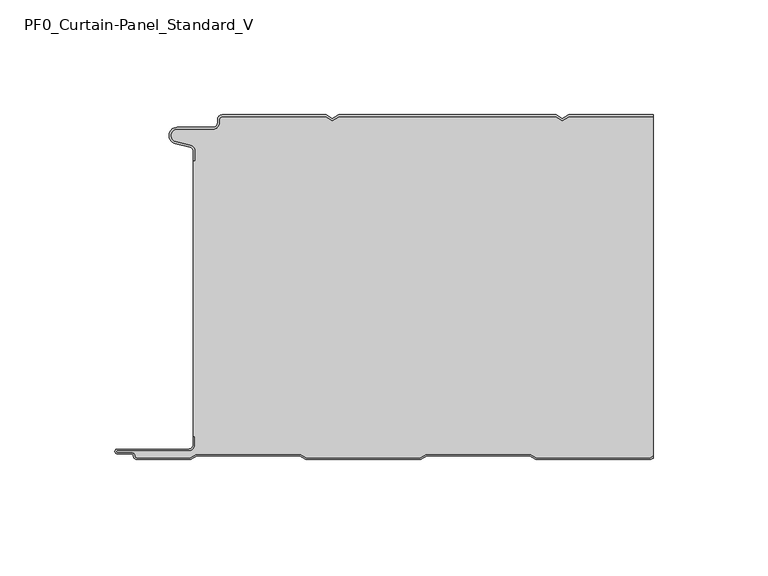
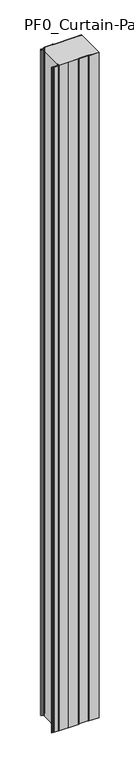
"""IFC4 building model written with IfcOpenShell, lengths in millimetres: plate geometry, PF0_Curtain-Panel_Standard_V."""

from ifc_helpers import new_model, si_unit, point, frame_2d, origin, origin_with_axes, place, context, project, spatial, polyline, circle_curve, trimmed, segment, composite_curve, outline, extrude, source, transform, mapped, element, save


def pf0_curtain_panel_standard_v_dcc8714a(model_context):
    return source(origin(), model_context, "Body", "SweptSolid", [
        extrude(outline(composite_curve([segment(trimmed(circle_curve(frame_2d((-102.0, -15.878557)), 2.0), [point((-100.0, -15.878557))], [point((-101.5500978, -13.9298169))], True, "CARTESIAN"), True, "CONTINUOUS"), segment(polyline([(-101.5500978, -13.9298169), (-107.7098239, -12.507732)]), True, "CONTINUOUS"), segment(trimmed(circle_curve(frame_2d((-106.9, -9.0)), 3.6), [point((-107.7098239, -12.507732))], [point((-106.9, -5.4))], False, "CARTESIAN"), True, "CONTINUOUS"), segment(polyline([(-106.9, -5.4), (-91.4, -5.4)]), True, "CONTINUOUS"), segment(trimmed(circle_curve(frame_2d((-91.4, -3.4)), 2.0), [point((-91.4, -5.4))], [point((-89.4, -3.4))], True, "CARTESIAN"), True, "CONTINUOUS"), segment(polyline([(-89.4, -3.4), (-89.4, -2.0)]), True, "CONTINUOUS"), segment(trimmed(circle_curve(frame_2d((-87.4, -2.0)), 2.0), [point((-89.4, -2.0))], [point((-87.4, 0.0))], False, "CARTESIAN"), True, "CONTINUOUS"), segment(polyline([(-87.4, 0.0), (-42.0999995, 0.0), (-39.4, -1.5588455), (-36.7000005, 0.0), (57.9000005, 0.0), (60.6, -1.5588455), (63.2999995, 0.0), (100.0, 0.0), (100.0, -0.8), (63.5143588, -0.8), (60.6, -2.482606), (57.6856412, -0.8), (-36.4856412, -0.8), (-39.4, -2.482606), (-42.3143588, -0.8), (-87.4, -0.8)]), True, "CONTINUOUS"), segment(trimmed(circle_curve(frame_2d((-87.4, -2.0)), 1.2), [point((-87.4, -0.8))], [point((-88.6, -2.0))], True, "CARTESIAN"), True, "CONTINUOUS"), segment(polyline([(-88.6, -2.0), (-88.6, -3.4)]), True, "CONTINUOUS"), segment(trimmed(circle_curve(frame_2d((-91.4, -3.4)), 2.8), [point((-88.6, -3.4))], [point((-91.4, -6.2))], False, "CARTESIAN"), True, "CONTINUOUS"), segment(polyline([(-91.4, -6.2), (-106.9, -6.2)]), True, "CONTINUOUS"), segment(trimmed(circle_curve(frame_2d((-106.9, -9.0)), 2.8), [point((-106.9, -6.2))], [point((-107.529863, -11.7282362))], True, "CARTESIAN"), True, "CONTINUOUS"), segment(polyline([(-107.529863, -11.7282362), (-101.370137, -13.150321)]), True, "CONTINUOUS"), segment(trimmed(circle_curve(frame_2d((-102.0, -15.878557)), 2.8), [point((-101.370137, -13.150321))], [point((-99.2, -15.878557))], False, "CARTESIAN"), True, "CONTINUOUS"), segment(polyline([(-99.2, -15.878557), (-99.2, -20.0), (-100.0, -20.0), (-100.0, -15.878557)]), True, "CONTINUOUS")], self_intersect=False)), origin_with_axes(), (0.0, 0.0, 1.0), 3500.0),
        extrude(outline(composite_curve([segment(polyline([(-99.2, -140.0), (-100.0, -140.0), (-100.0, -20.0), (-99.2, -20.0), (-99.2, -15.878557)]), True, "CONTINUOUS"), segment(trimmed(circle_curve(frame_2d((-102.0, -15.878557)), 2.8), [point((-99.2, -15.878557))], [point((-101.370137, -13.1503208))], True, "CARTESIAN"), True, "CONTINUOUS"), segment(polyline([(-101.370137, -13.1503208), (-107.529863, -11.7282362)]), True, "CONTINUOUS"), segment(trimmed(circle_curve(frame_2d((-106.9, -9.0)), 2.8), [point((-107.529863, -11.7282362))], [point((-106.9, -6.2))], False, "CARTESIAN"), True, "CONTINUOUS"), segment(polyline([(-106.9, -6.2), (-91.4, -6.2)]), True, "CONTINUOUS"), segment(trimmed(circle_curve(frame_2d((-91.4, -3.4)), 2.8), [point((-91.4, -6.2))], [point((-88.6, -3.4))], True, "CARTESIAN"), True, "CONTINUOUS"), segment(polyline([(-88.6, -3.4), (-88.6, -2.0)]), True, "CONTINUOUS"), segment(trimmed(circle_curve(frame_2d((-87.4, -2.0)), 1.2), [point((-88.6, -2.0))], [point((-87.4, -0.8))], False, "CARTESIAN"), True, "CONTINUOUS"), segment(polyline([(-87.4, -0.8), (-42.3143588, -0.8), (-39.4, -2.482606), (-36.4856412, -0.8), (57.6856412, -0.8), (60.6, -2.482606), (63.5143588, -0.8), (100.0, -0.8), (100.0, -148.5016287), (98.7903848, -149.2), (49.2152562, -149.2), (46.6171786, -147.7), (1.3884624, -147.7), (-1.2096152, -149.2), (-50.7847438, -149.2), (-53.3828214, -147.7), (-98.6115376, -147.7), (-101.2096152, -149.2), (-124.4, -149.2)]), True, "CONTINUOUS"), segment(trimmed(circle_curve(frame_2d((-124.4, -148.4)), 0.8), [point((-124.4, -149.2))], [point((-125.2, -148.4))], False, "CARTESIAN"), True, "CONTINUOUS"), segment(trimmed(circle_curve(frame_2d((-126.9, -148.6133333)), 1.7133333), [point((-125.2, -148.4))], [point((-126.9, -146.9))], True, "CARTESIAN"), True, "CONTINUOUS"), segment(polyline([(-126.9, -146.9), (-132.8700312, -146.9)]), True, "CONTINUOUS"), segment(trimmed(circle_curve(frame_2d((-132.8700312, -146.6)), 0.3), [point((-132.8700312, -146.9))], [point((-132.8700312, -146.3))], False, "CARTESIAN"), True, "CONTINUOUS"), segment(polyline([(-132.8700312, -146.3), (-102.0, -146.3)]), True, "CONTINUOUS"), segment(trimmed(circle_curve(frame_2d((-102.0, -143.5)), 2.8), [point((-102.0, -146.3))], [point((-99.2, -143.5))], True, "CARTESIAN"), True, "CONTINUOUS"), segment(polyline([(-99.2, -143.5), (-99.2, -140.0)]), True, "CONTINUOUS")], self_intersect=False)), origin_with_axes(), (0.0, 0.0, 1.0), 3500.0),
        extrude(outline(composite_curve([segment(polyline([(-100.0, -140.0), (-99.2, -140.0), (-99.2, -143.5)]), True, "CONTINUOUS"), segment(trimmed(circle_curve(frame_2d((-102.0, -143.5)), 2.8), [point((-99.2, -143.5))], [point((-102.0, -146.3))], False, "CARTESIAN"), True, "CONTINUOUS"), segment(polyline([(-102.0, -146.3), (-132.8700312, -146.3)]), True, "CONTINUOUS"), segment(trimmed(circle_curve(frame_2d((-132.8700312, -146.6)), 0.3), [point((-132.8700312, -146.3))], [point((-132.8700312, -146.9))], True, "CARTESIAN"), True, "CONTINUOUS"), segment(polyline([(-132.8700312, -146.9), (-126.9, -146.9)]), True, "CONTINUOUS"), segment(trimmed(circle_curve(frame_2d((-126.9, -148.6133333)), 1.7133333), [point((-126.9, -146.9))], [point((-125.2, -148.4))], False, "CARTESIAN"), True, "CONTINUOUS"), segment(trimmed(circle_curve(frame_2d((-124.4, -148.4)), 0.8), [point((-125.2, -148.4))], [point((-124.4, -149.2))], True, "CARTESIAN"), True, "CONTINUOUS"), segment(polyline([(-124.4, -149.2), (-101.2096152, -149.2), (-98.6115376, -147.7), (-53.3828214, -147.7), (-50.7847438, -149.2), (-1.2096152, -149.2), (1.3884624, -147.7), (46.6171786, -147.7), (49.2152562, -149.2), (98.7903848, -149.2), (100.0, -148.5016287), (100.0, -149.425389), (99.0047441, -150.0), (49.0008969, -150.0), (46.4028193, -148.5), (1.6028217, -148.5), (-0.9952559, -150.0), (-50.9991031, -150.0), (-53.5971807, -148.5), (-98.3971783, -148.5), (-100.9952559, -150.0), (-124.4, -150.0)]), True, "CONTINUOUS"), segment(trimmed(circle_curve(frame_2d((-124.4, -148.4)), 1.6), [point((-124.4, -150.0))], [point((-126.0, -148.4))], False, "CARTESIAN"), True, "CONTINUOUS"), segment(trimmed(circle_curve(frame_2d((-126.9, -148.4)), 0.9), [point((-126.0, -148.4))], [point((-126.9, -147.5))], True, "CARTESIAN"), True, "CONTINUOUS"), segment(polyline([(-126.9, -147.5), (-133.0, -147.5)]), True, "CONTINUOUS"), segment(trimmed(circle_curve(frame_2d((-133.0, -146.5)), 1.0), [point((-133.0, -147.5))], [point((-133.0, -145.5))], False, "CARTESIAN"), True, "CONTINUOUS"), segment(polyline([(-133.0, -145.5), (-102.0, -145.5)]), True, "CONTINUOUS"), segment(trimmed(circle_curve(frame_2d((-102.0, -143.5)), 2.0), [point((-102.0, -145.5))], [point((-100.0, -143.5))], True, "CARTESIAN"), True, "CONTINUOUS"), segment(polyline([(-100.0, -143.5), (-100.0, -140.0)]), True, "CONTINUOUS")], self_intersect=False)), origin_with_axes(), (0.0, 0.0, 1.0), 3500.0),
    ])


if __name__ == "__main__":
    model = new_model("IFC4")
    model_context = context("Model", 3, world=origin())
    ifc_project = project(units=[si_unit("LENGTHUNIT", "METRE", prefix="MILLI")], contexts=[model_context])
    site = spatial("IfcSite", under=ifc_project)
    building = spatial("IfcBuilding", under=site)
    placement = place(None, origin())
    pf0_curtain_panel_standard_v_shape = pf0_curtain_panel_standard_v_dcc8714a(model_context)
    element("IfcPlate", 1, ObjectType="PF0_Curtain-Panel_Standard_V", at=placement, inside=building, context=model_context, shape_type="MappedRepresentation", body=[
        mapped(pf0_curtain_panel_standard_v_shape, transform((0.0, 0.0, 0.0), x_axis=(1.0, 0.0, 0.0), y_axis=(0.0, 1.0, 0.0), z_axis=(0.0, 0.0, 1.0))),
    ])
    save(model, "model.ifc")
